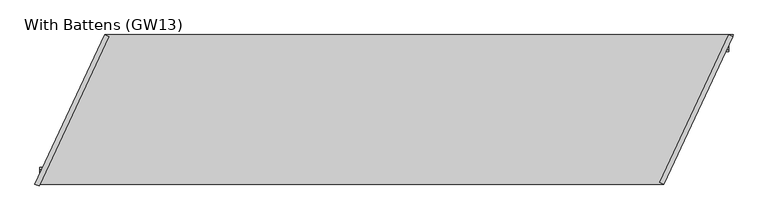
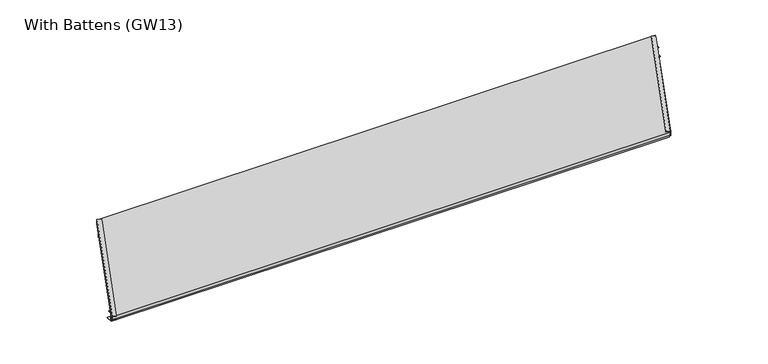
"""IFC4 building model written with IfcOpenShell, lengths in millimetres: proxy geometry, With Battens (GW13)."""

from ifc_helpers import new_model, si_unit, frame, origin, place, context, project, spatial, polyline, outline, extrude, source, transform, mapped, element, save


def with_battens_gw13_fe4e4caf(model_context):
    return source(origin(), model_context, "Body", "SweptSolid", [
        extrude(outline(polyline([(-70.0, 0.0), (-70.0, 2.0), (-42.0, 2.0), (-42.0, 38.0), (-60.0, 38.0), (-60.0, 40.0), (-40.0, 40.0), (-40.0, 0.0), (-70.0, 0.0)])), frame((268.1269034, 0.0, 0.0), z_axis=(1.0, 0.0, 0.0), x_axis=(0.0, 1.0, 0.0)), (0.0, 0.0, 1.0), 2577.3200561),
        extrude(outline(polyline([(-545.0, 0.0), (-575.0, 0.0), (-575.0, 40.0), (-555.0, 40.0), (-555.0, 38.0), (-573.0, 38.0), (-573.0, 2.0), (-545.0, 2.0), (-545.0, 0.0)])), frame((18.6523063, 0.0, 0.0), z_axis=(1.0, 0.0, 0.0), x_axis=(0.0, 1.0, 0.0)), (0.0, 0.0, 1.0), 2577.3200561),
        extrude(outline(polyline([(2864.0992659, 0.0), (2577.3200561, -615.0), (0.0, -615.0), (286.7792098, 0.0), (2864.0992659, 0.0)])), frame((0.0, 0.0, 40.0), z_axis=(0.0, 0.0, 1.0), x_axis=(1.0, 0.0, 0.0)), (0.0, 0.0, 1.0), 15.0),
        extrude(outline(polyline([(19.0, 0.0), (19.0, -2.0), (1.9999999, -2.0), (1.9999999, -17.0), (19.0, -17.0), (19.0, -19.0), (0.0, -19.0), (0.0, 0.0), (19.0, 0.0)])), frame((2579.5268119, -615.0, 57.0), z_axis=(0.42261826174069766, 0.9063077870366508, 0.0), x_axis=(-0.9063077870366508, 0.42261826174069766, 0.0)), (0.0, 0.0, 1.0), 669.7175747),
        extrude(outline(polyline([(19.0, 0.0), (19.0, -2.0), (2.0, -2.0), (2.0, -17.0), (19.0, -17.0), (19.0, -19.0), (0.0, -19.0), (0.0, 0.0), (19.0, 0.0)])), frame((-1.8126156, -614.1547635, 38.0), z_axis=(0.4226182617407062, 0.9063077870366468, 0.0), x_axis=(0.9063077870366468, -0.4226182617407062, 0.0)), (0.0, 0.0, 1.0), 677.6448048),
    ])


if __name__ == "__main__":
    model = new_model("IFC4")
    model_context = context("Model", 3, world=origin())
    ifc_project = project(units=[si_unit("LENGTHUNIT", "METRE", prefix="MILLI")], contexts=[model_context])
    site = spatial("IfcSite", under=ifc_project)
    building = spatial("IfcBuilding", under=site)
    placement = place(None, origin())
    with_battens_gw13_shape = with_battens_gw13_fe4e4caf(model_context)
    element("IfcBuildingElementProxy", 1, Name="With Battens (GW13)", ObjectType="With Battens (GW13)", at=placement, inside=building, context=model_context, shape_type="MappedRepresentation", body=[
        mapped(with_battens_gw13_shape, transform((0.0, 0.0, 0.0), x_axis=(1.0, 0.0, 0.0), y_axis=(0.0, 1.0, 0.0), z_axis=(0.0, 0.0, 1.0))),
    ])
    save(model, "model.ifc")
